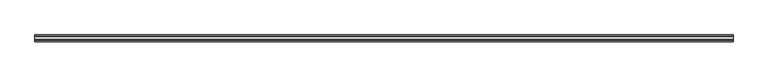
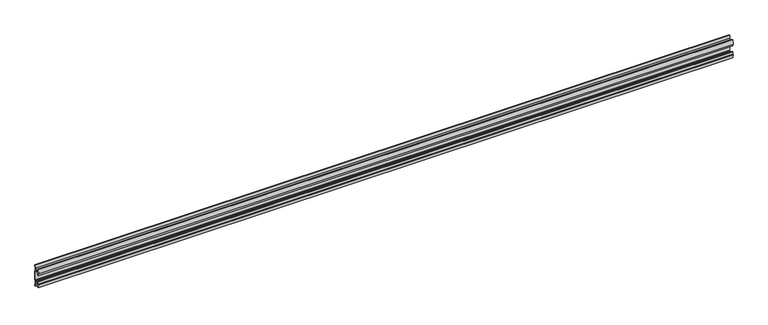
"""IFC4 building model written with IfcOpenShell, lengths in millimetres: furniture geometry."""

from ifc_helpers import new_model, si_unit, point, frame, frame_2d, origin, place, context, project, spatial, polyline, circle_curve, trimmed, segment, composite_curve, outline, extrude, source, transform, mapped, element, save


def furniture_987bba03(model_context):
    return source(origin(), model_context, "Body", "SweptSolid", [
        extrude(outline(composite_curve([segment(polyline([(11.858323, 875.9865986), (10.7166987, 870.0271626)]), True, "CONTINUOUS"), segment(trimmed(circle_curve(frame_2d((88.1501042, 855.193568)), 78.8414093), [point((10.7166987, 870.0271626))], [point((9.4546262, 859.9883112))], True, "CARTESIAN"), True, "CONTINUOUS"), segment(polyline([(9.4546262, 859.9883112), (11.4773198, 857.9656177), (11.4773198, 825.0383823), (9.4546262, 823.0156888)]), True, "CONTINUOUS"), segment(trimmed(circle_curve(frame_2d((88.1501042, 827.810432)), 78.8414093), [point((9.4546262, 823.0156888))], [point((10.7166987, 812.9768374))], True, "CARTESIAN"), True, "CONTINUOUS"), segment(polyline([(10.7166987, 812.9768374), (11.858323, 807.0174014), (11.858323, 803.4026449), (9.3183016, 803.4026449), (7.5671861, 812.543709), (6.9977776, 819.2374675), (-5.9218281, 819.2374675), (-5.9218281, 808.6725449), (-8.4618484, 808.6725449), (-11.7914971, 822.1810462), (-8.4618484, 821.1821511), (-8.4618484, 830.7072306), (-5.9218281, 830.7072306), (-5.9218281, 821.817155), (6.7782802, 821.817155), (6.7782802, 824.371689), (8.8976323, 826.2140136), (8.8976323, 856.7930348), (6.7782802, 858.6474685), (-5.2868484, 858.6474685), (-5.2868484, 852.2974144), (-8.4618484, 852.2974144), (-8.4618484, 861.8224939), (-11.858323, 860.5524837), (-8.4618484, 874.3321), (-5.2868484, 874.3321), (-5.2868484, 861.1874899), (6.7782802, 861.1874899), (7.5671861, 870.4615809), (9.3183016, 879.6026449), (11.858323, 879.6026449), (11.858323, 875.9865986)]), True, "CONTINUOUS")], self_intersect=False)), frame((-1193.8, 0.0, 0.0), z_axis=(1.0, 0.0, 0.0), x_axis=(0.0, 1.0, 0.0)), (0.0, 0.0, 1.0), 2387.6),
    ])


if __name__ == "__main__":
    model = new_model("IFC4")
    model_context = context("Model", 3, world=origin())
    ifc_project = project(units=[si_unit("LENGTHUNIT", "METRE", prefix="MILLI")], contexts=[model_context])
    site = spatial("IfcSite", under=ifc_project)
    building = spatial("IfcBuilding", under=site)
    placement = place(None, origin())
    furniture_shape = furniture_987bba03(model_context)
    element("IfcFurniture", 1, at=placement, inside=building, context=model_context, shape_type="MappedRepresentation", body=[
        mapped(furniture_shape, transform((0.0, 0.0, 0.0), x_axis=(1.0, 0.0, 0.0), y_axis=(0.0, 1.0, 0.0), z_axis=(0.0, 0.0, 1.0))),
    ])
    save(model, "model.ifc")
